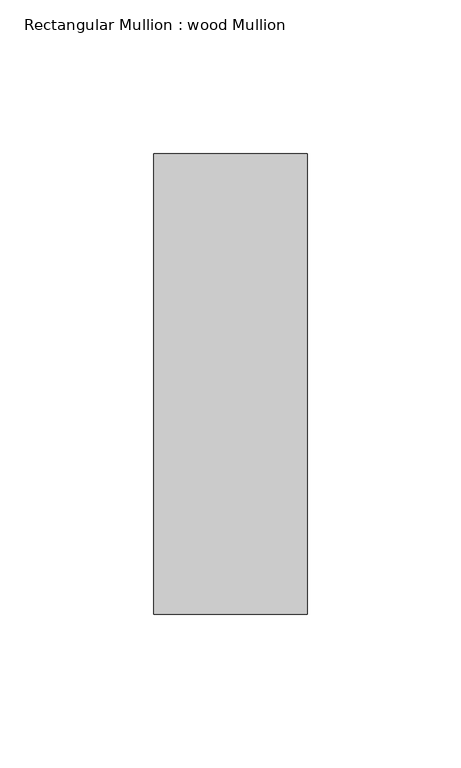
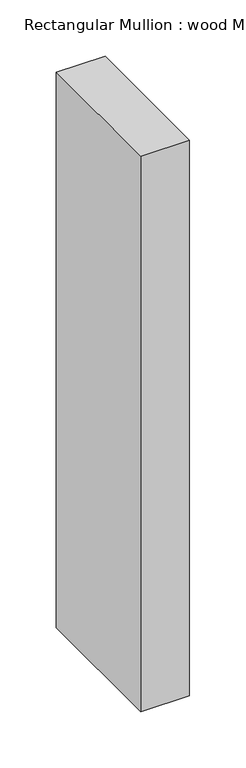
"""IFC4 building model written with IfcOpenShell, lengths in millimetres: member geometry, Rectangular Mullion : wood Mullion."""

from ifc_helpers import new_model, si_unit, frame, origin, place, context, project, spatial, polyline, outline, extrude, source, transform, mapped, element, save


def rectangular_mullion_wood_mullion_aed27abb(model_context):
    return source(origin(), model_context, "Body", "SweptSolid", [
        extrude(outline(polyline([(0.0, 75.0), (0.0, -75.0), (-50.0, -75.0), (-50.0, 75.0), (0.0, 75.0)])), frame((0.0, 0.0, -602.4999999), z_axis=(0.0, 0.0, 1.0), x_axis=(1.0, 0.0, 0.0)), (0.0, 0.0, 1.0), 602.4999999),
    ])


if __name__ == "__main__":
    model = new_model("IFC4")
    model_context = context("Model", 3, world=origin())
    ifc_project = project(units=[si_unit("LENGTHUNIT", "METRE", prefix="MILLI")], contexts=[model_context])
    site = spatial("IfcSite", under=ifc_project)
    building = spatial("IfcBuilding", under=site)
    placement = place(None, origin())
    rectangular_mullion_wood_mullion_shape = rectangular_mullion_wood_mullion_aed27abb(model_context)
    element("IfcMember", 1, ObjectType="Rectangular Mullion : wood Mullion", at=placement, inside=building, context=model_context, shape_type="MappedRepresentation", body=[
        mapped(rectangular_mullion_wood_mullion_shape, transform((0.0, 0.0, 0.0), x_axis=(1.0, 0.0, 0.0), y_axis=(0.0, 1.0, 0.0), z_axis=(0.0, 0.0, 1.0))),
    ])
    save(model, "model.ifc")
